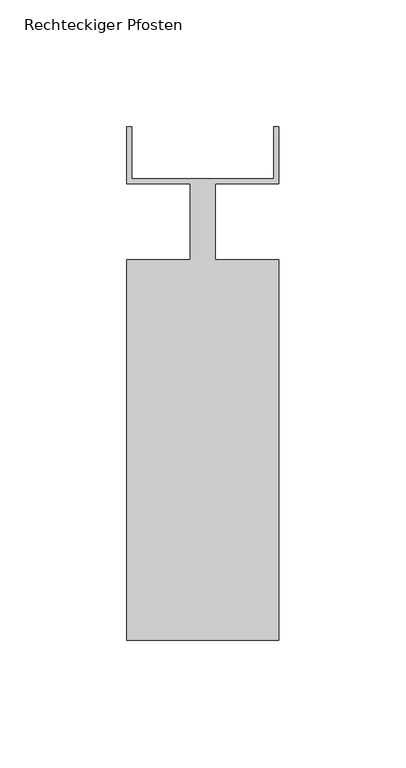
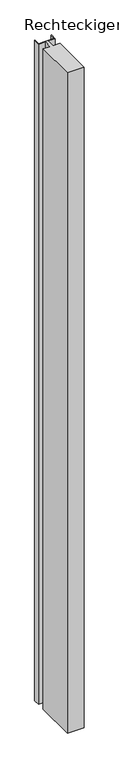
"""IFC4 building model written with IfcOpenShell, lengths in millimetres: member geometry, Rechteckiger Pfosten."""

from ifc_helpers import new_model, si_unit, frame, origin, place, context, project, spatial, polyline, outline, extrude, source, transform, mapped, element, save


def rechteckiger_pfosten_82fda14b(model_context):
    return source(origin(), model_context, "Body", "SweptSolid", [
        extrude(outline(polyline([(28.0, 37.5), (30.0, 37.5), (30.0, 15.0), (5.0, 15.0), (5.0, -15.0), (30.0, -15.0), (30.0, -165.0), (-30.0, -165.0), (-30.0, -15.0), (-5.0, -15.0), (-5.0, 15.0), (-30.0, 15.0), (-30.0, 37.5), (-28.0, 37.5), (-28.0, 17.0), (28.0, 17.0), (28.0, 37.5)])), frame((0.0, 0.0, -2499.0449811), z_axis=(0.0, 0.0, 1.0), x_axis=(1.0, 0.0, 0.0)), (0.0, 0.0, 1.0), 2499.0449811),
    ])


if __name__ == "__main__":
    model = new_model("IFC4")
    model_context = context("Model", 3, world=origin())
    ifc_project = project(units=[si_unit("LENGTHUNIT", "METRE", prefix="MILLI")], contexts=[model_context])
    site = spatial("IfcSite", under=ifc_project)
    building = spatial("IfcBuilding", under=site)
    placement = place(None, origin())
    rechteckiger_pfosten_shape = rechteckiger_pfosten_82fda14b(model_context)
    element("IfcMember", 1, ObjectType="Rechteckiger Pfosten", at=placement, inside=building, context=model_context, shape_type="MappedRepresentation", body=[
        mapped(rechteckiger_pfosten_shape, transform((0.0, 0.0, 0.0), x_axis=(1.0, 0.0, 0.0), y_axis=(0.0, 1.0, 0.0), z_axis=(0.0, 0.0, 1.0))),
    ])
    save(model, "model.ifc")
